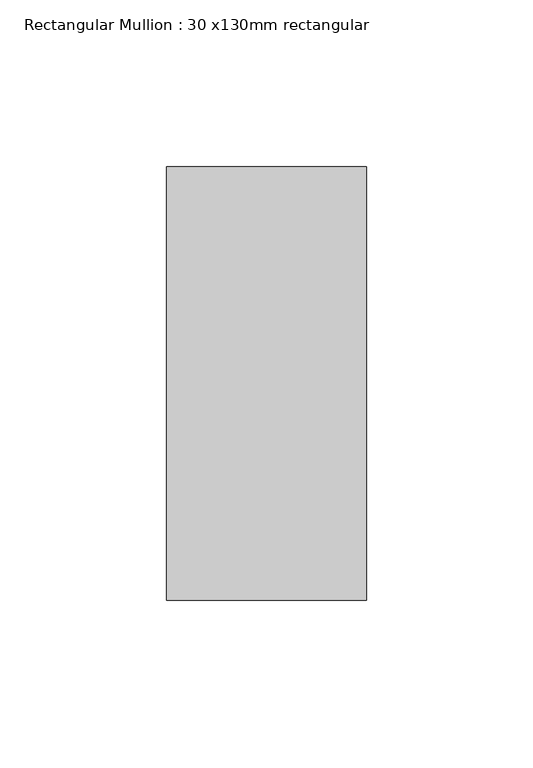
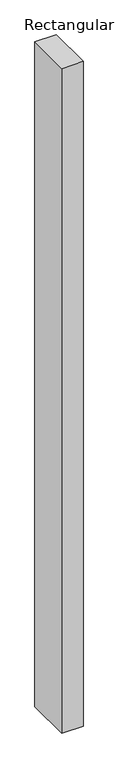
"""IFC4 building model written with IfcOpenShell, lengths in millimetres: member geometry, Rectangular Mullion : 30 x130mm rectangular."""

from ifc_helpers import new_model, si_unit, frame, origin, place, context, project, spatial, polyline, outline, extrude, source, transform, mapped, element, save


def rectangular_mullion_30_x130mm_rectangular_50817b42(model_context):
    return source(origin(), model_context, "Body", "SweptSolid", [
        extrude(outline(polyline([(30.0, 65.0), (30.0, -65.0), (-30.0, -65.0), (-30.0, 65.0), (30.0, 65.0)])), frame((0.0, 0.0, -1970.0), z_axis=(0.0, 0.0, 1.0), x_axis=(1.0, 0.0, 0.0)), (0.0, 0.0, 1.0), 1970.0),
    ])


if __name__ == "__main__":
    model = new_model("IFC4")
    model_context = context("Model", 3, world=origin())
    ifc_project = project(units=[si_unit("LENGTHUNIT", "METRE", prefix="MILLI")], contexts=[model_context])
    site = spatial("IfcSite", under=ifc_project)
    building = spatial("IfcBuilding", under=site)
    placement = place(None, origin())
    rectangular_mullion_30_x130mm_rectangular_shape = rectangular_mullion_30_x130mm_rectangular_50817b42(model_context)
    element("IfcMember", 1, ObjectType="Rectangular Mullion : 30 x130mm rectangular", at=placement, inside=building, context=model_context, shape_type="MappedRepresentation", body=[
        mapped(rectangular_mullion_30_x130mm_rectangular_shape, transform((0.0, 0.0, 0.0), x_axis=(1.0, 0.0, 0.0), y_axis=(0.0, 1.0, 0.0), z_axis=(0.0, 0.0, 1.0))),
    ])
    save(model, "model.ifc")
